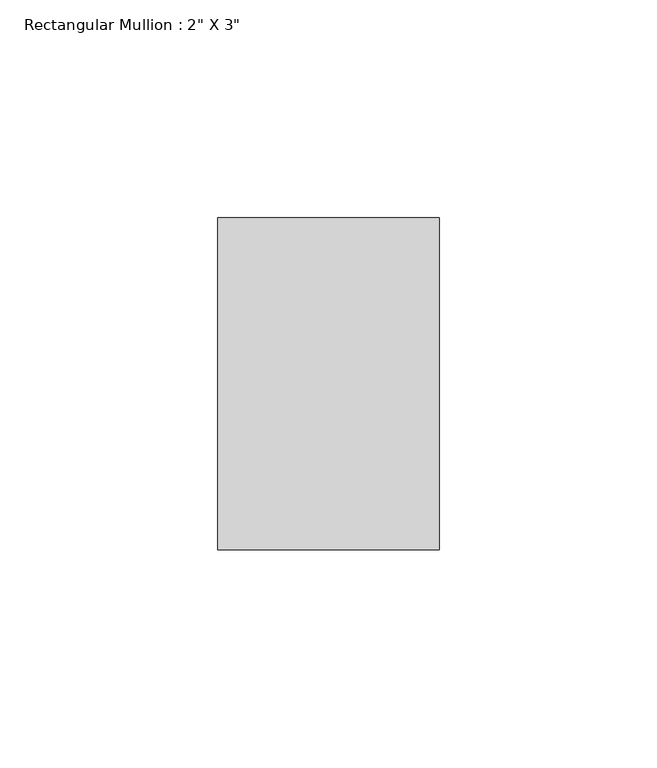
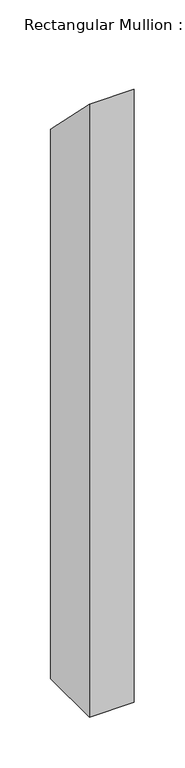
"""IFC4 building model written with IfcOpenShell, lengths in millimetres: member geometry."""

from ifc_helpers import new_model, si_unit, frame, origin, place, context, project, spatial, polyline, outline, extrude, source, transform, mapped, element, save


def member_9a97fd98(model_context):
    return source(origin(), model_context, "Body", "SweptSolid", [
        extrude(outline(polyline([(-63.5, 63.5), (12.7, -12.7), (12.7, -673.1), (-63.5, -673.1), (-63.5, 63.5)])), frame((-25.4, 0.0, 0.0), z_axis=(1.0, 0.0, 0.0), x_axis=(0.0, 1.0, 0.0)), (0.0, 0.0, 1.0), 50.8),
    ])


if __name__ == "__main__":
    model = new_model("IFC4")
    model_context = context("Model", 3, world=origin())
    ifc_project = project(units=[si_unit("LENGTHUNIT", "METRE", prefix="MILLI")], contexts=[model_context])
    site = spatial("IfcSite", under=ifc_project)
    building = spatial("IfcBuilding", under=site)
    placement = place(None, origin())
    member_shape = member_9a97fd98(model_context)
    element("IfcMember", 1, ObjectType="Rectangular Mullion : 2\" X 3\"", at=placement, inside=building, context=model_context, shape_type="MappedRepresentation", body=[
        mapped(member_shape, transform((0.0, 0.0, 0.0), x_axis=(1.0, 0.0, 0.0), y_axis=(0.0, 1.0, 0.0), z_axis=(0.0, 0.0, 1.0))),
    ])
    save(model, "model.ifc")
